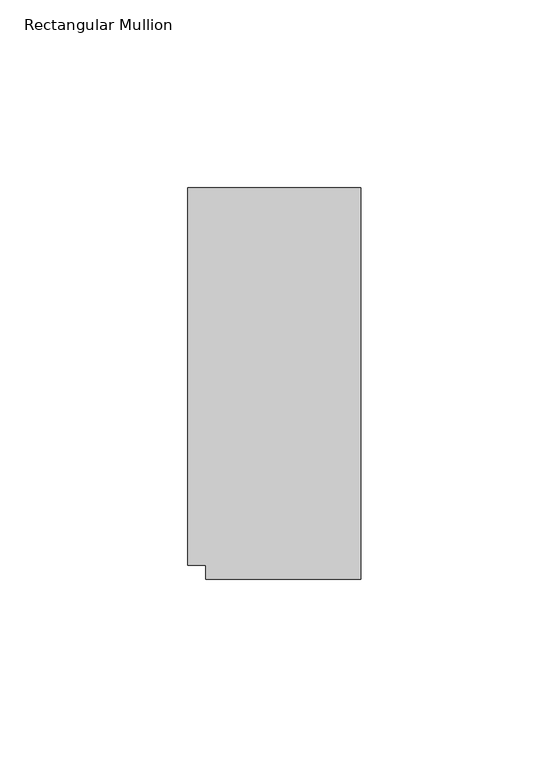
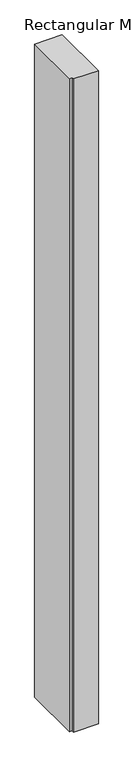
"""IFC4 building model written with IfcOpenShell, lengths in millimetres: member geometry, Rectangular Mullion."""

import ifcopenshell
import ifcopenshell.guid

model = None  # the IFC model being written
_history = None  # IfcOwnerHistory: only IFC2X3 demands one
_inside = {}  # id of a spatial element -> (the spatial element, [elements in it])
_under = {}  # id of a project, library or spatial element -> (it, [spatial elements below it])
_declared = {}  # id of a project -> (the project, [libraries it declares])
_typed = {}  # id of a type object -> (the type object, [elements of that type])
_made_of = {}  # id of a material, layer set ... -> (it, [elements and type objects made of it])


def new_model(schema):
    """Start an empty IFC model of exactly this schema.

    Asked for "IFC4X3", IfcOpenShell would pick the latest addendum, in which some entities
    have other attributes; the version numbers below select the first issue.
    IFC2X3 requires an IfcOwnerHistory on every rooted entity: one is made here for all.
    """
    global model, _history
    if schema == "IFC4X3":
        model = ifcopenshell.file(schema_version=(4, 3, 0, 0))
    else:
        model = ifcopenshell.file(schema=schema)
    _inside.clear()
    _under.clear()
    _declared.clear()
    _typed.clear()
    _made_of.clear()
    _history = None
    if model.schema == "IFC2X3":
        org = make("IfcOrganization", Name="unknown")
        user = make(
            "IfcPersonAndOrganization",
            ThePerson=make("IfcPerson", FamilyName="unknown"),
            TheOrganization=org,
        )
        app = make(
            "IfcApplication",
            ApplicationDeveloper=org,
            Version="unknown",
            ApplicationFullName="unknown",
            ApplicationIdentifier="unknown",
        )
        _history = make(
            "IfcOwnerHistory",
            OwningUser=user,
            OwningApplication=app,
            ChangeAction="ADDED",
            CreationDate=0,
        )
    return model


def make(cls, **values):
    """One entity of the class cls with the attributes given. An attribute that is None is left unset."""
    return model.create_entity(
        cls, **{name: value for name, value in values.items() if value is not None}
    )


def rooted(cls, **values):
    """An entity with a GlobalId (a new one), such as an element, a storey or a relation."""
    return make(cls, GlobalId=ifcopenshell.guid.new(), OwnerHistory=_history, **values)


def si_unit(unit_type, name, prefix=None):
    """IfcSIUnit, for example si_unit("LENGTHUNIT", "METRE", prefix="MILLI")."""
    return make("IfcSIUnit", UnitType=unit_type, Prefix=prefix, Name=name)


def assignment(units):
    """IfcUnitAssignment: the units of a project."""
    return None if units is None else make("IfcUnitAssignment", Units=units)


def point(xyz):
    """IfcCartesianPoint."""
    return None if xyz is None else make("IfcCartesianPoint", Coordinates=xyz)


def direction(xyz):
    """IfcDirection."""
    return None if xyz is None else make("IfcDirection", DirectionRatios=xyz)


def frame(location, z_axis=None, x_axis=None):
    """IfcAxis2Placement3D, a coordinate frame: its origin and axes. An axis left out is left unset."""
    return make(
        "IfcAxis2Placement3D",
        Location=point(location),
        Axis=direction(z_axis),
        RefDirection=direction(x_axis),
    )


def origin():
    """The frame at (0, 0, 0) with its axes left unset."""
    return frame((0.0, 0.0, 0.0))


def place(relative_to, where):
    """IfcLocalPlacement: puts the frame where relative to a parent placement (None: the world)."""
    return make(
        "IfcLocalPlacement", PlacementRelTo=relative_to, RelativePlacement=where
    )


def context(
    kind, dimensions, precision=None, world=None, true_north=None, identifier=None
):
    """IfcGeometricRepresentationContext, for example the 3D "Model" context."""
    return make(
        "IfcGeometricRepresentationContext",
        ContextIdentifier=identifier,
        ContextType=kind,
        CoordinateSpaceDimension=dimensions,
        Precision=precision,
        WorldCoordinateSystem=world,
        TrueNorth=true_north,
    )


def project(units=None, contexts=None):
    """IfcProject with its units and contexts."""
    return rooted(
        "IfcProject",
        Name="project",
        RepresentationContexts=contexts,
        UnitsInContext=assignment(units),
    )


def spatial(cls, under=None, at=None, **own):
    """A site, building, storey or space (cls), placed at a placement, below another one or the project."""
    s = rooted(cls, ObjectPlacement=at, **own)
    if under is not None:
        _under.setdefault(under.id(), (under, []))[1].append(s)
    return s


def polyline(points):
    """IfcPolyline through the points."""
    return make("IfcPolyline", Points=[point(p) for p in points])


def outline(outer, holes=None, kind="AREA"):
    """IfcArbitraryClosedProfileDef: a profile drawn as a closed curve; with holes, ...WithVoids."""
    if holes is None:
        return make("IfcArbitraryClosedProfileDef", ProfileType=kind, OuterCurve=outer)
    return make(
        "IfcArbitraryProfileDefWithVoids",
        ProfileType=kind,
        OuterCurve=outer,
        InnerCurves=holes,
    )


def extrude(swept, where, along, depth):
    """IfcExtrudedAreaSolid: the profile swept, set in the frame where, extruded along a direction by depth."""
    return make(
        "IfcExtrudedAreaSolid",
        SweptArea=swept,
        Position=where,
        ExtrudedDirection=direction(along),
        Depth=depth,
    )


def shape(context_of_items, identifier, shape_type, items):
    """IfcShapeRepresentation: the items that make up one representation, for example the "Body"."""
    return make(
        "IfcShapeRepresentation",
        ContextOfItems=context_of_items,
        RepresentationIdentifier=identifier,
        RepresentationType=shape_type,
        Items=items,
    )


def source(mapping_origin, context_of_items, identifier, shape_type, items):
    """IfcRepresentationMap: a shape defined once, which mapped items show again and again."""
    return make(
        "IfcRepresentationMap",
        MappingOrigin=mapping_origin,
        MappedRepresentation=shape(context_of_items, identifier, shape_type, items),
    )


def transform(
    local_origin,
    x_axis=None,
    y_axis=None,
    z_axis=None,
    scale=None,
    scale2=None,
    scale3=None,
    uniform=True,
):
    """IfcCartesianTransformationOperator3D, or its non-uniform kind. x_axis, y_axis, z_axis: its Axis1, 2, 3."""
    if uniform:
        return make(
            "IfcCartesianTransformationOperator3D",
            Axis1=direction(x_axis),
            Axis2=direction(y_axis),
            LocalOrigin=point(local_origin),
            Scale=scale,
            Axis3=direction(z_axis),
        )
    return make(
        "IfcCartesianTransformationOperator3DnonUniform",
        Axis1=direction(x_axis),
        Axis2=direction(y_axis),
        LocalOrigin=point(local_origin),
        Scale=scale,
        Axis3=direction(z_axis),
        Scale2=scale2,
        Scale3=scale3,
    )


def mapped(mapping_source, mapping_target):
    """IfcMappedItem: shows the shape of a source again, moved by a transform."""
    return make(
        "IfcMappedItem", MappingSource=mapping_source, MappingTarget=mapping_target
    )


def made_of(thing, what):
    """Note that an element or type object is made of a material, layer set ...; save() writes the relation."""
    if what is not None:
        _made_of.setdefault(what.id(), (what, []))[1].append(thing)
    return thing


def element(
    cls,
    number,
    at=None,
    inside=None,
    cuts=None,
    type_object=None,
    material=None,
    context=None,
    identifier="Body",
    shape_type=None,
    held_by="IfcProductDefinitionShape",
    body=None,
    shapes=None,
    **own,
):
    """One element of the class cls, such as IfcWall. Its Tag is "e" and its number.

    at: its placement. inside: the storey or other place that contains it. cuts: it is an
    opening in that element (IfcRelVoidsElement). A single representation is given by context,
    identifier, shape_type and body (its items); several are given by shapes. held_by: the class
    of the entity that holds the representations. save() writes the other relations.
    """
    e = rooted(cls, Tag="e%d" % number, ObjectPlacement=at, **own)
    if body is not None:
        shapes = [shape(context, identifier, shape_type, body)]
    if shapes is not None:
        e.Representation = make(held_by, Representations=shapes)
    if inside is not None:
        _inside.setdefault(inside.id(), (inside, []))[1].append(e)
    if cuts is not None:
        rooted(
            "IfcRelVoidsElement", RelatingBuildingElement=cuts, RelatedOpeningElement=e
        )
    if type_object is not None:
        _typed.setdefault(type_object.id(), (type_object, []))[1].append(e)
    return made_of(e, material)


def aggregate(whole, parts):
    """IfcRelAggregates: a whole, such as a stair, and the parts it consists of."""
    return rooted("IfcRelAggregates", RelatingObject=whole, RelatedObjects=parts)


def save(model, path):
    """Write the relations noted so far, then the file.

    IfcRelAggregates (storeys below a building ...), IfcRelContainedInSpatialStructure (elements
    in a storey), IfcRelDefinesByType, IfcRelAssociatesMaterial and IfcRelDeclares: one each for
    every whole, place, type object, material and project.
    """
    for whole, parts in _under.values():
        aggregate(whole, parts)
    for where, things in _inside.values():
        rooted(
            "IfcRelContainedInSpatialStructure",
            RelatedElements=things,
            RelatingStructure=where,
        )
    for kind, things in _typed.values():
        rooted("IfcRelDefinesByType", RelatedObjects=things, RelatingType=kind)
    for what, things in _made_of.values():
        rooted("IfcRelAssociatesMaterial", RelatedObjects=things, RelatingMaterial=what)
    for by, libraries in _declared.values():
        rooted("IfcRelDeclares", RelatingContext=by, RelatedDefinitions=libraries)
    model.write(path)


def rectangular_mullion_e9611d27(model_context):
    return source(origin(), model_context, "Body", "SweptSolid", [
        extrude(outline(polyline([(-41.2496, -50.1916065), (-46.01845, -50.1916065), (-46.01845, 50.1853835), (0.0, 50.1853835), (0.0, -53.976397), (-41.2496, -53.976397), (-41.2496, -50.1916065)])), frame((0.0, 0.0, -1152.530715), z_axis=(0.0, 0.0, 1.0), x_axis=(1.0, 0.0, 0.0)), (0.0, 0.0, 1.0), 1152.530715),
    ])


if __name__ == "__main__":
    model = new_model("IFC4")
    model_context = context("Model", 3, world=origin())
    ifc_project = project(units=[si_unit("LENGTHUNIT", "METRE", prefix="MILLI")], contexts=[model_context])
    site = spatial("IfcSite", under=ifc_project)
    building = spatial("IfcBuilding", under=site)
    placement = place(None, origin())
    rectangular_mullion_shape = rectangular_mullion_e9611d27(model_context)
    element("IfcMember", 1, ObjectType="Rectangular Mullion", at=placement, inside=building, context=model_context, shape_type="MappedRepresentation", body=[
        mapped(rectangular_mullion_shape, transform((0.0, 0.0, 0.0), x_axis=(1.0, 0.0, 0.0), y_axis=(0.0, 1.0, 0.0), z_axis=(0.0, 0.0, 1.0))),
    ])
    save(model, "model.ifc")
